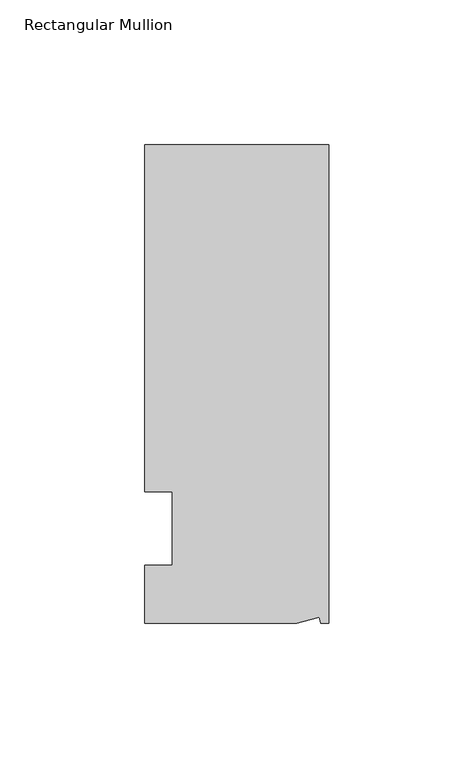
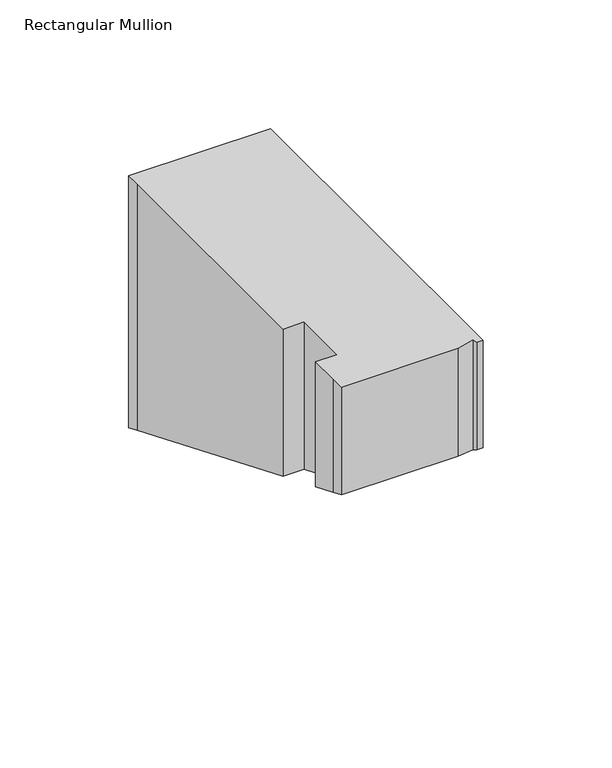
"""IFC4 building model written with IfcOpenShell, lengths in millimetres: member geometry, Rectangular Mullion."""

from ifc_helpers import new_model, si_unit, origin, place, context, project, spatial, faceted_brep, source, transform, mapped, element, save


def rectangular_mullion_96b45996(model_context):
    return source(origin(), model_context, "Body", "Brep", [
        faceted_brep([(0.0, 132.5561012, 0.0), (-63.5, 132.5561012, 0.0), (-63.5, 126.2061012, 0.0), (-63.5, 12.8054199, 0.0), (-53.975, 12.8054199, 0.0), (-53.975, -12.5945801, 0.0), (-63.5, -12.5945801, 0.0), (-63.5, -26.1938988, 0.0), (-63.5, -32.5438988, 0.0), (-11.121847, -32.5438988, 0.0), (-3.3341886, -30.4622958, 0.0), (-2.7616541, -32.5438988, 0.0), (0.0, -32.5438988, 0.0), (0.0, 132.5561012, -119.4327689), (-63.5, 132.5561012, -119.4327689), (-63.5, 126.2061012, -116.8025128), (-63.5, 12.8054199, -69.8304126), (-53.975, 12.8054199, -69.8304126), (-53.975, -12.5945801, -59.3093881), (-63.5, -12.5945801, -59.3093881), (-63.5, -26.1938988, -53.6763658), (-63.5, -32.5438988, -51.0461097), (-11.121847, -32.5438988, -51.0461097), (-3.3341886, -30.4622958, -51.908338), (-2.7616541, -32.5438988, -51.0461097), (0.0, -32.5438988, -51.0461097)], [[[0, 1, 2, 3, 4, 5, 6, 7, 8, 9, 10, 11, 12]], [[1, 0, 13, 14]], [[2, 1, 14, 15]], [[3, 2, 15, 16]], [[4, 3, 16, 17]], [[5, 4, 17, 18]], [[6, 5, 18, 19]], [[7, 6, 19, 20]], [[8, 7, 20, 21]], [[9, 8, 21, 22]], [[10, 9, 22, 23]], [[11, 10, 23, 24]], [[12, 11, 24, 25]], [[0, 12, 25, 13]], [[13, 25, 24, 23, 22, 21, 20, 19, 18, 17, 16, 15, 14]]]),
    ])


if __name__ == "__main__":
    model = new_model("IFC4")
    model_context = context("Model", 3, world=origin())
    ifc_project = project(units=[si_unit("LENGTHUNIT", "METRE", prefix="MILLI")], contexts=[model_context])
    site = spatial("IfcSite", under=ifc_project)
    building = spatial("IfcBuilding", under=site)
    placement = place(None, origin())
    rectangular_mullion_shape = rectangular_mullion_96b45996(model_context)
    element("IfcMember", 1, ObjectType="Rectangular Mullion", at=placement, inside=building, context=model_context, shape_type="MappedRepresentation", body=[
        mapped(rectangular_mullion_shape, transform((0.0, 0.0, 0.0), x_axis=(1.0, 0.0, 0.0), y_axis=(0.0, 1.0, 0.0), z_axis=(0.0, 0.0, 1.0))),
    ])
    save(model, "model.ifc")
